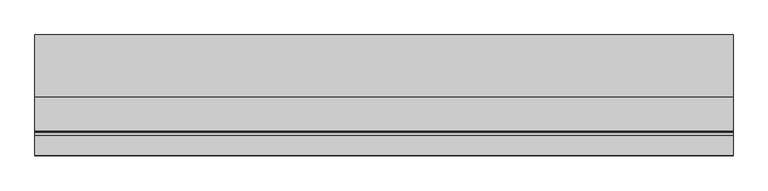
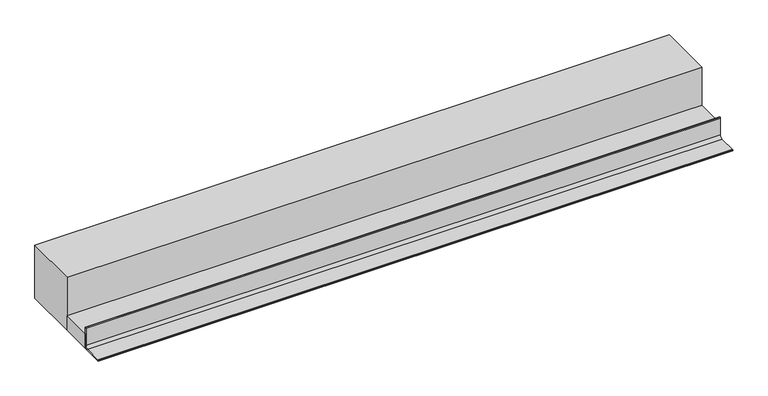
"""IFC4 building model written with IfcOpenShell, lengths in millimetres: beam geometry."""

from ifc_helpers import new_model, si_unit, point, frame, frame_2d, origin, place, context, project, spatial, polyline, circle_curve, trimmed, segment, composite_curve, outline, extrude, source, transform, mapped, element, save


def beam_c68bc56a(model_context):
    return source(origin(), model_context, "Body", "SweptSolid", [
        extrude(outline(composite_curve([segment(polyline([(-5275.0, 6000.0), (-5275.0, 6002.4745866)]), True, "CONTINUOUS"), segment(trimmed(circle_curve(frame_2d((-5272.4745866, 6002.4745866)), 2.5254134), [point((-5275.0, 6002.4745866))], [point((-5272.4745866, 6005.0))], False, "CARTESIAN"), True, "CONTINUOUS"), segment(polyline([(-5272.4745866, 6005.0), (-5193.0410426, 6005.0)]), True, "CONTINUOUS"), segment(trimmed(circle_curve(frame_2d((-5193.0410426, 6018.0410426)), 13.0410426), [point((-5193.0410426, 6005.0))], [point((-5180.0, 6018.0410426))], True, "CARTESIAN"), True, "CONTINUOUS"), segment(polyline([(-5180.0, 6018.0410426), (-5180.0, 6097.211754)]), True, "CONTINUOUS"), segment(trimmed(circle_curve(frame_2d((-5177.211754, 6097.211754)), 2.788246), [point((-5180.0, 6097.211754))], [point((-5177.211754, 6100.0))], False, "CARTESIAN"), True, "CONTINUOUS"), segment(polyline([(-5177.211754, 6100.0), (-5175.0, 6100.0), (-5175.0, 6000.0), (-5275.0, 6000.0)]), True, "CONTINUOUS")], self_intersect=False)), frame((320.0, 0.0, 0.0), z_axis=(1.0, 0.0, 0.0), x_axis=(0.0, 1.0, 0.0)), (0.0, 0.0, 1.0), 2833.3705641),
        extrude(outline(polyline([(320.0, -5175.0), (320.0, -5035.0), (3153.3705641, -5035.0), (3153.3705641, -5175.0), (320.0, -5175.0)])), frame((0.0, 0.0, 6000.0), z_axis=(0.0, 0.0, 1.0), x_axis=(1.0, 0.0, 0.0)), (0.0, 0.0, 1.0), 68.9909984),
        extrude(outline(polyline([(320.0, -5035.0), (320.0, -4785.0), (3153.3705641, -4785.0), (3153.3705641, -5035.0), (320.0, -5035.0)])), frame((0.0, 0.0, 6000.0), z_axis=(0.0, 0.0, 1.0), x_axis=(1.0, 0.0, 0.0)), (0.0, 0.0, 1.0), 250.0),
    ])


if __name__ == "__main__":
    model = new_model("IFC4")
    model_context = context("Model", 3, world=origin())
    ifc_project = project(units=[si_unit("LENGTHUNIT", "METRE", prefix="MILLI")], contexts=[model_context])
    site = spatial("IfcSite", under=ifc_project)
    building = spatial("IfcBuilding", under=site)
    placement = place(None, origin())
    beam_shape = beam_c68bc56a(model_context)
    element("IfcBeam", 1, at=placement, inside=building, context=model_context, shape_type="MappedRepresentation", body=[
        mapped(beam_shape, transform((0.0, 0.0, 0.0), x_axis=(1.0, 0.0, 0.0), y_axis=(0.0, 1.0, 0.0), z_axis=(0.0, 0.0, 1.0))),
    ])
    save(model, "model.ifc")
